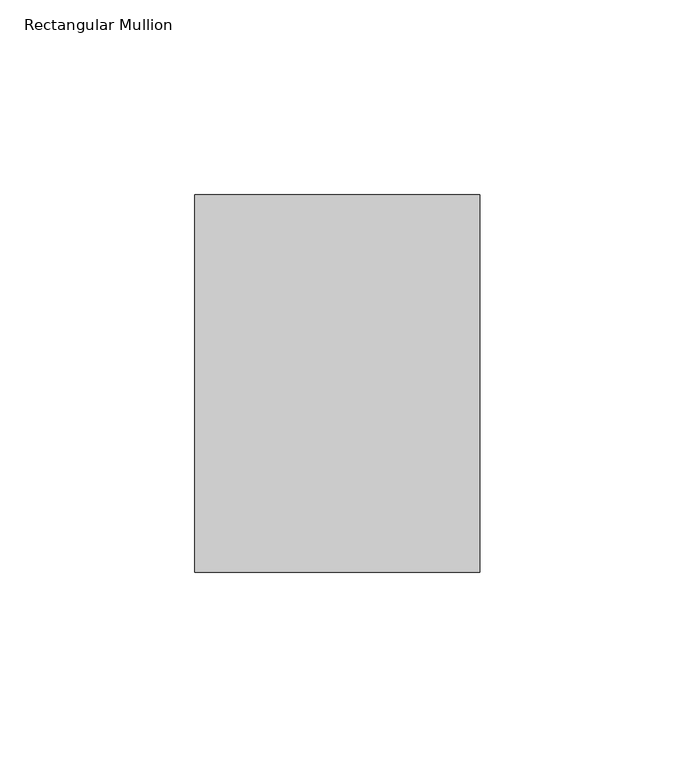
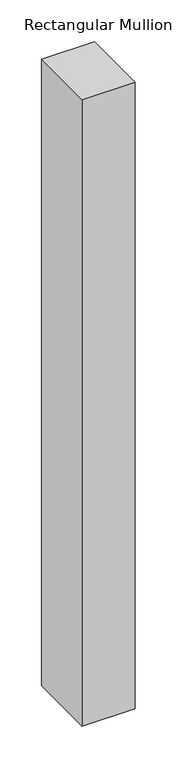
"""IFC4 building model written with IfcOpenShell, lengths in millimetres: member geometry, Rectangular Mullion."""

from ifc_helpers import new_model, si_unit, frame, origin, place, context, project, spatial, polyline, outline, extrude, source, transform, mapped, element, save


def rectangular_mullion_d02804be(model_context):
    return source(origin(), model_context, "Body", "SweptSolid", [
        extrude(outline(polyline([(0.0, 48.41875), (0.0, -48.41875), (-73.025, -48.41875), (-73.025, 48.41875), (0.0, 48.41875)])), frame((0.0, 0.0, -914.4), z_axis=(0.0, 0.0, 1.0), x_axis=(1.0, 0.0, 0.0)), (0.0, 0.0, 1.0), 914.4),
    ])


if __name__ == "__main__":
    model = new_model("IFC4")
    model_context = context("Model", 3, world=origin())
    ifc_project = project(units=[si_unit("LENGTHUNIT", "METRE", prefix="MILLI")], contexts=[model_context])
    site = spatial("IfcSite", under=ifc_project)
    building = spatial("IfcBuilding", under=site)
    placement = place(None, origin())
    rectangular_mullion_shape = rectangular_mullion_d02804be(model_context)
    element("IfcMember", 1, ObjectType="Rectangular Mullion", at=placement, inside=building, context=model_context, shape_type="MappedRepresentation", body=[
        mapped(rectangular_mullion_shape, transform((0.0, 0.0, 0.0), x_axis=(1.0, 0.0, 0.0), y_axis=(0.0, 1.0, 0.0), z_axis=(0.0, 0.0, 1.0))),
    ])
    save(model, "model.ifc")
